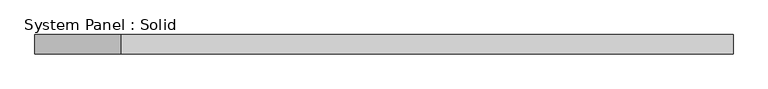
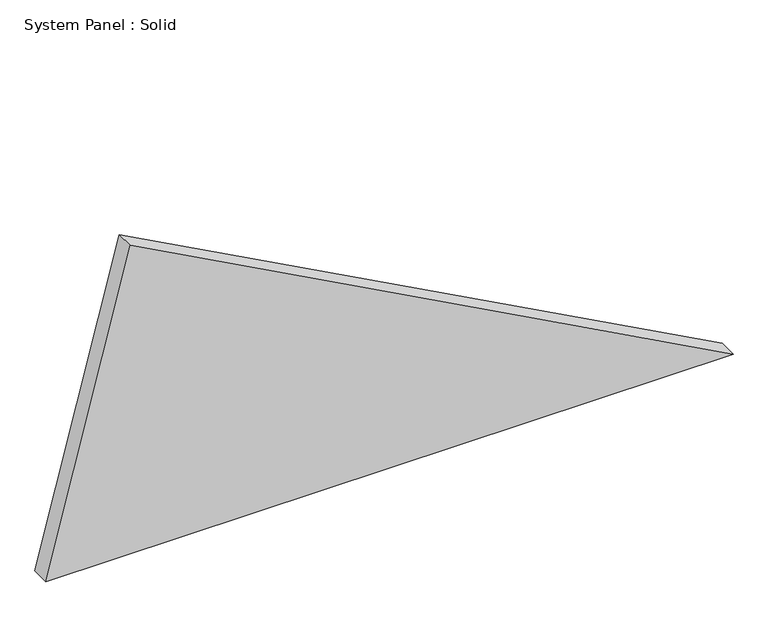
"""IFC4 building model written with IfcOpenShell, lengths in millimetres: plate geometry, System Panel : Solid."""

from ifc_helpers import new_model, si_unit, frame, origin, place, context, project, spatial, polyline, outline, extrude, source, transform, mapped, element, save


def system_panel_solid_9337aab2(model_context):
    return source(origin(), model_context, "Body", "SweptSolid", [
        extrude(outline(polyline([(0.0, -1076.2160514), (0.0, 1076.2160514), (1020.7112525, -811.8065617), (0.0, -1076.2160514)])), frame((0.0, -10.5, 0.0), z_axis=(0.0, 1.0, 0.0), x_axis=(0.0, 0.0, 1.0)), (0.0, 0.0, 1.0), 60.0),
    ])


if __name__ == "__main__":
    model = new_model("IFC4")
    model_context = context("Model", 3, world=origin())
    ifc_project = project(units=[si_unit("LENGTHUNIT", "METRE", prefix="MILLI")], contexts=[model_context])
    site = spatial("IfcSite", under=ifc_project)
    building = spatial("IfcBuilding", under=site)
    placement = place(None, origin())
    system_panel_solid_shape = system_panel_solid_9337aab2(model_context)
    element("IfcPlate", 1, ObjectType="System Panel : Solid", at=placement, inside=building, context=model_context, shape_type="MappedRepresentation", body=[
        mapped(system_panel_solid_shape, transform((0.0, 0.0, 0.0), x_axis=(1.0, 0.0, 0.0), y_axis=(0.0, 1.0, 0.0), z_axis=(0.0, 0.0, 1.0))),
    ])
    save(model, "model.ifc")
